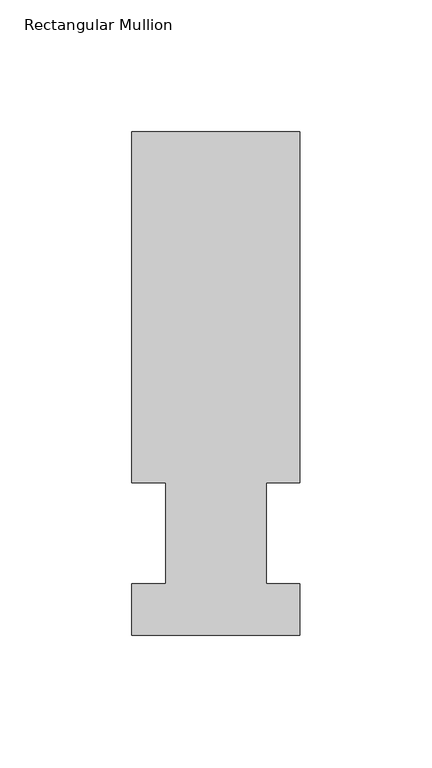
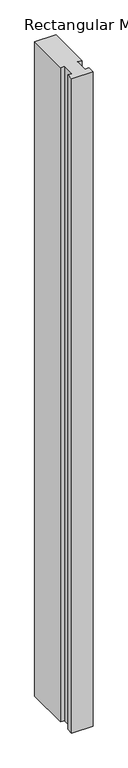
"""IFC4 building model written with IfcOpenShell, lengths in millimetres: member geometry, Rectangular Mullion."""

from ifc_helpers import new_model, si_unit, frame, origin, place, context, project, spatial, polyline, outline, extrude, source, transform, mapped, element, save


def rectangular_mullion_83fcd9f9(model_context):
    return source(origin(), model_context, "Body", "SweptSolid", [
        extrude(outline(polyline([(31.75, 190.5896938), (31.75, 57.6460937), (19.05, 57.6460937), (19.05, 19.5460938), (31.75, 19.5460938), (31.75, 0.0134938), (-31.75, 0.0134938), (-31.75, 19.5460938), (-19.05, 19.5460938), (-19.05, 57.6460937), (-31.75, 57.6460937), (-31.75, 190.5896938), (31.75, 190.5896938)])), frame((0.0, 0.0, -2057.4), z_axis=(0.0, 0.0, 1.0), x_axis=(1.0, 0.0, 0.0)), (0.0, 0.0, 1.0), 2057.4),
    ])


if __name__ == "__main__":
    model = new_model("IFC4")
    model_context = context("Model", 3, world=origin())
    ifc_project = project(units=[si_unit("LENGTHUNIT", "METRE", prefix="MILLI")], contexts=[model_context])
    site = spatial("IfcSite", under=ifc_project)
    building = spatial("IfcBuilding", under=site)
    placement = place(None, origin())
    rectangular_mullion_shape = rectangular_mullion_83fcd9f9(model_context)
    element("IfcMember", 1, ObjectType="Rectangular Mullion", at=placement, inside=building, context=model_context, shape_type="MappedRepresentation", body=[
        mapped(rectangular_mullion_shape, transform((0.0, 0.0, 0.0), x_axis=(1.0, 0.0, 0.0), y_axis=(0.0, 1.0, 0.0), z_axis=(0.0, 0.0, 1.0))),
    ])
    save(model, "model.ifc")
